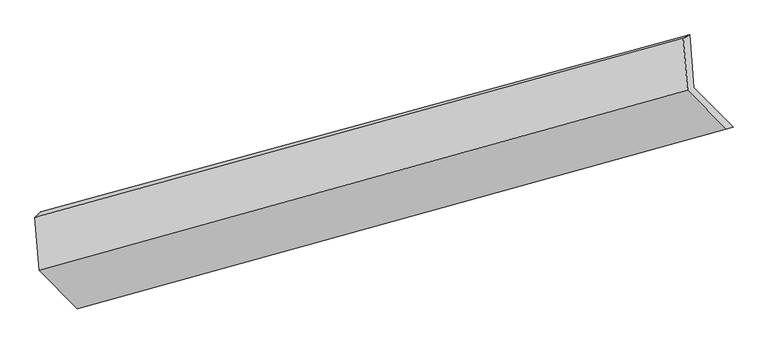
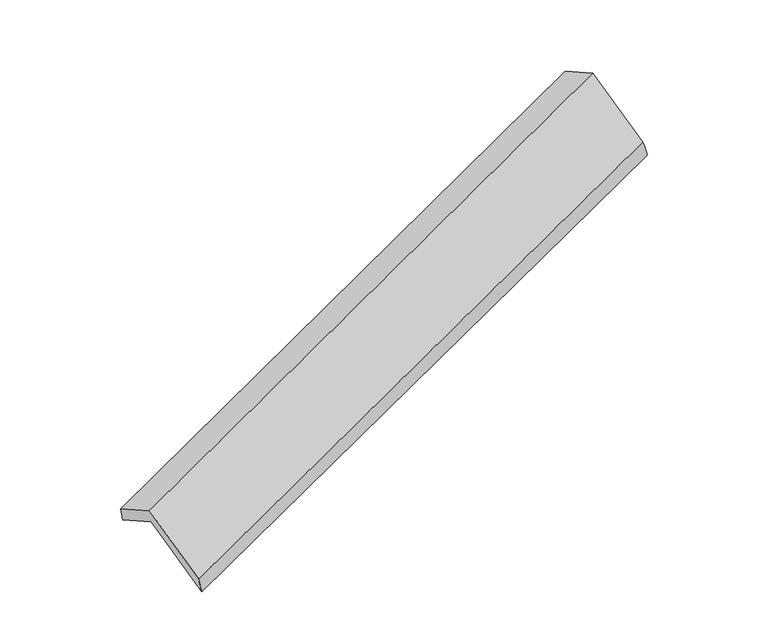
"""IFC4 building model written with IfcOpenShell, lengths in millimetres: proxy geometry."""

from ifc_helpers import new_model, si_unit, frame, origin, place, context, project, spatial, source, transform, mapped, element, save
from ifc_brep_helpers import plane_surface, spline_surface, advanced_brep


def generic_models_2940b1ff(model_context):
    return source(origin(), model_context, "Body", "AdvancedBrep", [
        advanced_brep(
        [(-5162.5205762, -2136.7368081, 1305.2341024), (-5192.0318042, -1770.9730596, 1111.854624), (-707.1547904, -544.955753, 2714.1788727), (-677.6435624, -910.7195014, 2907.5583511), (-5230.6521426, -1807.9013219, 1248.0376021), (-750.5034655, -569.0410185, 2853.925594), (-5201.0252302, -2175.098869, 1442.1751305), (-721.5880293, -927.4204912, 3043.4010021), (-4936.7810138, -2439.8734318, 901.0468331), (-453.3269524, -1196.2199764, 2494.0468411), (-4891.9403044, -2407.860143, 751.130615), (-407.0632906, -1181.8428363, 2353.4548637)],
        [
            (0, 1),
            (1, 2),
            (2, 3),
            (3, 0),
            (1, 4),
            (4, 5),
            (5, 2),
            (4, 6),
            (6, 7),
            (7, 5),
            (6, 8),
            (8, 9),
            (9, 7),
            (8, 10),
            (10, 11),
            (11, 9),
            (10, 0),
            (3, 11),
        ],
        [
            plane_surface(frame((-5177.2761902, -1953.8549338, 1208.5443632), z_axis=(0.4035417690660155, -0.4019916000504752, -0.8219226205111585), x_axis=(-0.07114762022557759, 0.8818074355832992, -0.4662120361876586))),
            spline_surface(1, 1, [[(-5192.0318042, -1770.9730596, 1111.854624), (-707.1547904, -544.955753, 2714.1788727)], [(-5230.6521426, -1807.9013219, 1248.0376021), (-750.5034655, -569.0410185, 2853.925594)]], [2, 2], [2, 2], [0.0, 1.0], [0.0, 1.0]),
            plane_surface(frame((-5215.8386864, -1991.5000955, 1345.1063663), z_axis=(-0.40539580664846814, 0.4014892980847591, 0.821255492204007), x_axis=(0.07114762022557743, -0.8818074355832997, 0.46621203618765783))),
            plane_surface(frame((-5068.903122, -2307.4861504, 1171.6109818), z_axis=(0.0776435991673742, -0.8800358028948808, 0.46851729651262475), x_axis=(0.40168604755668547, -0.40249224398545874, -0.8225863557887635))),
            spline_surface(1, 1, [[(-4936.7810138, -2439.8734318, 901.0468331), (-453.3269524, -1196.2199764, 2494.0468411)], [(-4891.9403044, -2407.860143, 751.130615), (-407.0632906, -1181.8428363, 2353.4548637)]], [2, 2], [2, 2], [0.0, 1.0], [0.0, 1.0]),
            plane_surface(frame((-5027.2304403, -2272.2984755, 1028.1823587), z_axis=(-0.07393211002898825, 0.8810536178804154, -0.4672029168642814), x_axis=(-0.40168604755668114, 0.4024922439854638, 0.8225863557887632))),
            plane_surface(frame((-619.5466818, -888.3665961, 2727.7609208), z_axis=(0.9130094935621051, 0.24579593178395376, 0.3255733781867404), x_axis=(0.31111064347594136, 0.09668238831917135, -0.9454431147905656))),
            plane_surface(frame((-5102.4918453, -2123.0739389, 1126.5798178), z_axis=(-0.9130094935620989, -0.2457959317839784, -0.3255733781867396), x_axis=(0.40168604755669196, -0.4024922439854618, -0.8225863557887589))),
        ],
        [
            (0, [[1, 2, 3, 4]]),
            (1, [[5, 6, 7, -2]]),
            (2, [[8, 9, 10, -6]]),
            (3, [[11, 12, 13, -9]]),
            (4, [[14, 15, 16, -12]]),
            (5, [[17, -4, 18, -15]]),
            (6, [[-16, -18, -3, -7, -10, -13]]),
            (7, [[-17, -14, -11, -8, -5, -1]]),
        ],
    ),
    ])


if __name__ == "__main__":
    model = new_model("IFC4")
    model_context = context("Model", 3, world=origin())
    ifc_project = project(units=[si_unit("LENGTHUNIT", "METRE", prefix="MILLI")], contexts=[model_context])
    site = spatial("IfcSite", under=ifc_project)
    building = spatial("IfcBuilding", under=site)
    placement = place(None, origin())
    generic_models_shape = generic_models_2940b1ff(model_context)
    element("IfcBuildingElementProxy", 1, Name="Generic Models", at=placement, inside=building, context=model_context, shape_type="MappedRepresentation", body=[
        mapped(generic_models_shape, transform((0.0, 0.0, 0.0), x_axis=(1.0, 0.0, 0.0), y_axis=(0.0, 1.0, 0.0), z_axis=(0.0, 0.0, 1.0))),
    ])
    save(model, "model.ifc")
